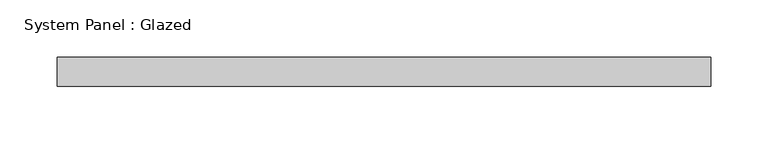
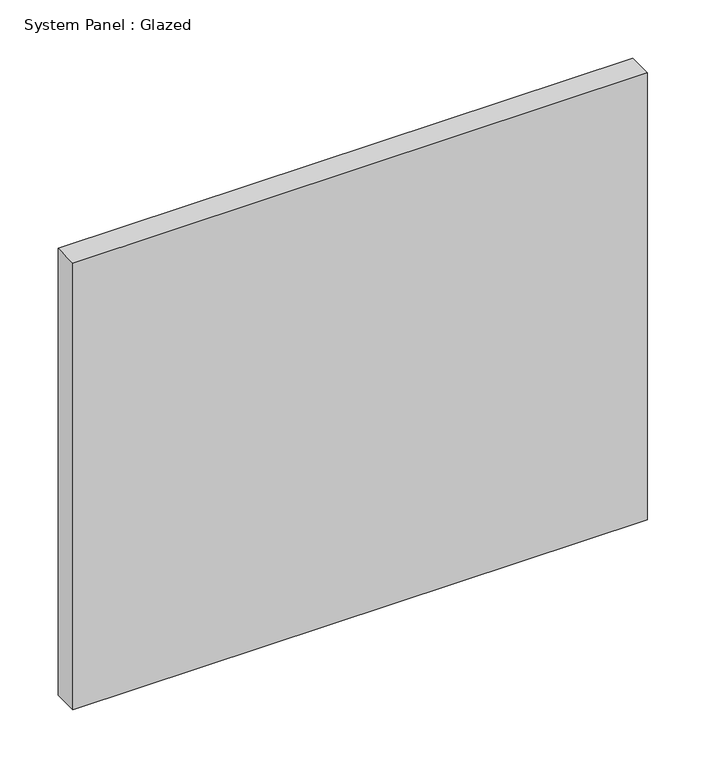
"""IFC4 building model written with IfcOpenShell, lengths in millimetres: plate geometry, System Panel : Glazed."""

import ifcopenshell
import ifcopenshell.guid

model = None  # the IFC model being written
_history = None  # IfcOwnerHistory: only IFC2X3 demands one
_inside = {}  # id of a spatial element -> (the spatial element, [elements in it])
_under = {}  # id of a project, library or spatial element -> (it, [spatial elements below it])
_declared = {}  # id of a project -> (the project, [libraries it declares])
_typed = {}  # id of a type object -> (the type object, [elements of that type])
_made_of = {}  # id of a material, layer set ... -> (it, [elements and type objects made of it])


def new_model(schema):
    """Start an empty IFC model of exactly this schema.

    Asked for "IFC4X3", IfcOpenShell would pick the latest addendum, in which some entities
    have other attributes; the version numbers below select the first issue.
    IFC2X3 requires an IfcOwnerHistory on every rooted entity: one is made here for all.
    """
    global model, _history
    if schema == "IFC4X3":
        model = ifcopenshell.file(schema_version=(4, 3, 0, 0))
    else:
        model = ifcopenshell.file(schema=schema)
    _inside.clear()
    _under.clear()
    _declared.clear()
    _typed.clear()
    _made_of.clear()
    _history = None
    if model.schema == "IFC2X3":
        org = make("IfcOrganization", Name="unknown")
        user = make(
            "IfcPersonAndOrganization",
            ThePerson=make("IfcPerson", FamilyName="unknown"),
            TheOrganization=org,
        )
        app = make(
            "IfcApplication",
            ApplicationDeveloper=org,
            Version="unknown",
            ApplicationFullName="unknown",
            ApplicationIdentifier="unknown",
        )
        _history = make(
            "IfcOwnerHistory",
            OwningUser=user,
            OwningApplication=app,
            ChangeAction="ADDED",
            CreationDate=0,
        )
    return model


def make(cls, **values):
    """One entity of the class cls with the attributes given. An attribute that is None is left unset."""
    return model.create_entity(
        cls, **{name: value for name, value in values.items() if value is not None}
    )


def rooted(cls, **values):
    """An entity with a GlobalId (a new one), such as an element, a storey or a relation."""
    return make(cls, GlobalId=ifcopenshell.guid.new(), OwnerHistory=_history, **values)


def si_unit(unit_type, name, prefix=None):
    """IfcSIUnit, for example si_unit("LENGTHUNIT", "METRE", prefix="MILLI")."""
    return make("IfcSIUnit", UnitType=unit_type, Prefix=prefix, Name=name)


def assignment(units):
    """IfcUnitAssignment: the units of a project."""
    return None if units is None else make("IfcUnitAssignment", Units=units)


def point(xyz):
    """IfcCartesianPoint."""
    return None if xyz is None else make("IfcCartesianPoint", Coordinates=xyz)


def direction(xyz):
    """IfcDirection."""
    return None if xyz is None else make("IfcDirection", DirectionRatios=xyz)


def frame(location, z_axis=None, x_axis=None):
    """IfcAxis2Placement3D, a coordinate frame: its origin and axes. An axis left out is left unset."""
    return make(
        "IfcAxis2Placement3D",
        Location=point(location),
        Axis=direction(z_axis),
        RefDirection=direction(x_axis),
    )


def origin():
    """The frame at (0, 0, 0) with its axes left unset."""
    return frame((0.0, 0.0, 0.0))


def origin_with_axes():
    """The frame at (0, 0, 0) with the z axis (0, 0, 1) and the x axis (1, 0, 0) written out."""
    return frame((0.0, 0.0, 0.0), z_axis=(0.0, 0.0, 1.0), x_axis=(1.0, 0.0, 0.0))


def place(relative_to, where):
    """IfcLocalPlacement: puts the frame where relative to a parent placement (None: the world)."""
    return make(
        "IfcLocalPlacement", PlacementRelTo=relative_to, RelativePlacement=where
    )


def context(
    kind, dimensions, precision=None, world=None, true_north=None, identifier=None
):
    """IfcGeometricRepresentationContext, for example the 3D "Model" context."""
    return make(
        "IfcGeometricRepresentationContext",
        ContextIdentifier=identifier,
        ContextType=kind,
        CoordinateSpaceDimension=dimensions,
        Precision=precision,
        WorldCoordinateSystem=world,
        TrueNorth=true_north,
    )


def project(units=None, contexts=None):
    """IfcProject with its units and contexts."""
    return rooted(
        "IfcProject",
        Name="project",
        RepresentationContexts=contexts,
        UnitsInContext=assignment(units),
    )


def spatial(cls, under=None, at=None, **own):
    """A site, building, storey or space (cls), placed at a placement, below another one or the project."""
    s = rooted(cls, ObjectPlacement=at, **own)
    if under is not None:
        _under.setdefault(under.id(), (under, []))[1].append(s)
    return s


def polyline(points):
    """IfcPolyline through the points."""
    return make("IfcPolyline", Points=[point(p) for p in points])


def outline(outer, holes=None, kind="AREA"):
    """IfcArbitraryClosedProfileDef: a profile drawn as a closed curve; with holes, ...WithVoids."""
    if holes is None:
        return make("IfcArbitraryClosedProfileDef", ProfileType=kind, OuterCurve=outer)
    return make(
        "IfcArbitraryProfileDefWithVoids",
        ProfileType=kind,
        OuterCurve=outer,
        InnerCurves=holes,
    )


def extrude(swept, where, along, depth):
    """IfcExtrudedAreaSolid: the profile swept, set in the frame where, extruded along a direction by depth."""
    return make(
        "IfcExtrudedAreaSolid",
        SweptArea=swept,
        Position=where,
        ExtrudedDirection=direction(along),
        Depth=depth,
    )


def shape(context_of_items, identifier, shape_type, items):
    """IfcShapeRepresentation: the items that make up one representation, for example the "Body"."""
    return make(
        "IfcShapeRepresentation",
        ContextOfItems=context_of_items,
        RepresentationIdentifier=identifier,
        RepresentationType=shape_type,
        Items=items,
    )


def source(mapping_origin, context_of_items, identifier, shape_type, items):
    """IfcRepresentationMap: a shape defined once, which mapped items show again and again."""
    return make(
        "IfcRepresentationMap",
        MappingOrigin=mapping_origin,
        MappedRepresentation=shape(context_of_items, identifier, shape_type, items),
    )


def transform(
    local_origin,
    x_axis=None,
    y_axis=None,
    z_axis=None,
    scale=None,
    scale2=None,
    scale3=None,
    uniform=True,
):
    """IfcCartesianTransformationOperator3D, or its non-uniform kind. x_axis, y_axis, z_axis: its Axis1, 2, 3."""
    if uniform:
        return make(
            "IfcCartesianTransformationOperator3D",
            Axis1=direction(x_axis),
            Axis2=direction(y_axis),
            LocalOrigin=point(local_origin),
            Scale=scale,
            Axis3=direction(z_axis),
        )
    return make(
        "IfcCartesianTransformationOperator3DnonUniform",
        Axis1=direction(x_axis),
        Axis2=direction(y_axis),
        LocalOrigin=point(local_origin),
        Scale=scale,
        Axis3=direction(z_axis),
        Scale2=scale2,
        Scale3=scale3,
    )


def mapped(mapping_source, mapping_target):
    """IfcMappedItem: shows the shape of a source again, moved by a transform."""
    return make(
        "IfcMappedItem", MappingSource=mapping_source, MappingTarget=mapping_target
    )


def made_of(thing, what):
    """Note that an element or type object is made of a material, layer set ...; save() writes the relation."""
    if what is not None:
        _made_of.setdefault(what.id(), (what, []))[1].append(thing)
    return thing


def element(
    cls,
    number,
    at=None,
    inside=None,
    cuts=None,
    type_object=None,
    material=None,
    context=None,
    identifier="Body",
    shape_type=None,
    held_by="IfcProductDefinitionShape",
    body=None,
    shapes=None,
    **own,
):
    """One element of the class cls, such as IfcWall. Its Tag is "e" and its number.

    at: its placement. inside: the storey or other place that contains it. cuts: it is an
    opening in that element (IfcRelVoidsElement). A single representation is given by context,
    identifier, shape_type and body (its items); several are given by shapes. held_by: the class
    of the entity that holds the representations. save() writes the other relations.
    """
    e = rooted(cls, Tag="e%d" % number, ObjectPlacement=at, **own)
    if body is not None:
        shapes = [shape(context, identifier, shape_type, body)]
    if shapes is not None:
        e.Representation = make(held_by, Representations=shapes)
    if inside is not None:
        _inside.setdefault(inside.id(), (inside, []))[1].append(e)
    if cuts is not None:
        rooted(
            "IfcRelVoidsElement", RelatingBuildingElement=cuts, RelatedOpeningElement=e
        )
    if type_object is not None:
        _typed.setdefault(type_object.id(), (type_object, []))[1].append(e)
    return made_of(e, material)


def aggregate(whole, parts):
    """IfcRelAggregates: a whole, such as a stair, and the parts it consists of."""
    return rooted("IfcRelAggregates", RelatingObject=whole, RelatedObjects=parts)


def save(model, path):
    """Write the relations noted so far, then the file.

    IfcRelAggregates (storeys below a building ...), IfcRelContainedInSpatialStructure (elements
    in a storey), IfcRelDefinesByType, IfcRelAssociatesMaterial and IfcRelDeclares: one each for
    every whole, place, type object, material and project.
    """
    for whole, parts in _under.values():
        aggregate(whole, parts)
    for where, things in _inside.values():
        rooted(
            "IfcRelContainedInSpatialStructure",
            RelatedElements=things,
            RelatingStructure=where,
        )
    for kind, things in _typed.values():
        rooted("IfcRelDefinesByType", RelatedObjects=things, RelatingType=kind)
    for what, things in _made_of.values():
        rooted("IfcRelAssociatesMaterial", RelatedObjects=things, RelatingMaterial=what)
    for by, libraries in _declared.values():
        rooted("IfcRelDeclares", RelatingContext=by, RelatedDefinitions=libraries)
    model.write(path)


def system_panel_glazed_7a26c1bb(model_context):
    return source(origin(), model_context, "Body", "SweptSolid", [
        extrude(outline(polyline([(285.75, -12.7), (-285.75, -12.7), (-285.75, 12.7), (285.75, 12.7), (285.75, -12.7)])), origin_with_axes(), (0.0, 0.0, 1.0), 469.9),
    ])


if __name__ == "__main__":
    model = new_model("IFC4")
    model_context = context("Model", 3, world=origin())
    ifc_project = project(units=[si_unit("LENGTHUNIT", "METRE", prefix="MILLI")], contexts=[model_context])
    site = spatial("IfcSite", under=ifc_project)
    building = spatial("IfcBuilding", under=site)
    placement = place(None, origin())
    system_panel_glazed_shape = system_panel_glazed_7a26c1bb(model_context)
    element("IfcPlate", 1, ObjectType="System Panel : Glazed", at=placement, inside=building, context=model_context, shape_type="MappedRepresentation", body=[
        mapped(system_panel_glazed_shape, transform((0.0, 0.0, 0.0), x_axis=(1.0, 0.0, 0.0), y_axis=(0.0, 1.0, 0.0), z_axis=(0.0, 0.0, 1.0))),
    ])
    save(model, "model.ifc")
